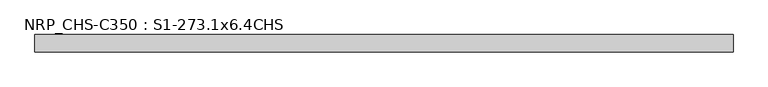
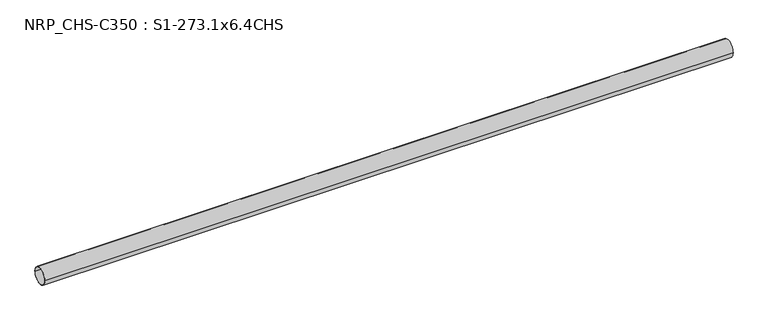
"""IFC4 building model written with IfcOpenShell, lengths in millimetres: beam geometry, NRP_CHS-C350 : S1-273.1x6.4CHS."""

from ifc_helpers import new_model, si_unit, point, frame, origin, origin_2d, place, context, project, spatial, circle_curve, trimmed, segment, composite_curve, outline, extrude, source, transform, mapped, element, save


def nrp_chs_c350_s1_273_1x6_4chs_90491bea(model_context):
    return source(origin(), model_context, "Body", "SweptSolid", [
        extrude(outline(composite_curve([segment(trimmed(circle_curve(origin_2d(), 136.55), [point((136.55, 0.0))], [point((-136.55, 0.0))], False, "CARTESIAN"), True, "CONTINUOUS"), segment(trimmed(circle_curve(origin_2d(), 136.55), [point((-136.55, 0.0))], [point((136.55, 0.0))], False, "CARTESIAN"), True, "CONTINUOUS")], self_intersect=False), holes=[composite_curve([segment(trimmed(circle_curve(origin_2d(), 130.15), [point((-130.15, 0.0))], [point((130.15, 0.0))], True, "CARTESIAN"), True, "CONTINUOUS"), segment(trimmed(circle_curve(origin_2d(), 130.15), [point((130.15, 0.0))], [point((-130.15, 0.0))], True, "CARTESIAN"), True, "CONTINUOUS")], self_intersect=False)]), frame((-5499.8, 0.0, 0.0), z_axis=(1.0, 0.0, 0.0), x_axis=(0.0, 1.0, 0.0)), (0.0, 0.0, 1.0), 10999.6),
    ])


if __name__ == "__main__":
    model = new_model("IFC4")
    model_context = context("Model", 3, world=origin())
    ifc_project = project(units=[si_unit("LENGTHUNIT", "METRE", prefix="MILLI")], contexts=[model_context])
    site = spatial("IfcSite", under=ifc_project)
    building = spatial("IfcBuilding", under=site)
    placement = place(None, origin())
    nrp_chs_c350_s1_273_1x6_4chs_shape = nrp_chs_c350_s1_273_1x6_4chs_90491bea(model_context)
    element("IfcBeam", 1, ObjectType="NRP_CHS-C350 : S1-273.1x6.4CHS", at=placement, inside=building, context=model_context, shape_type="MappedRepresentation", body=[
        mapped(nrp_chs_c350_s1_273_1x6_4chs_shape, transform((0.0, 0.0, 0.0), x_axis=(1.0, 0.0, 0.0), y_axis=(0.0, 1.0, 0.0), z_axis=(0.0, 0.0, 1.0))),
    ])
    save(model, "model.ifc")
